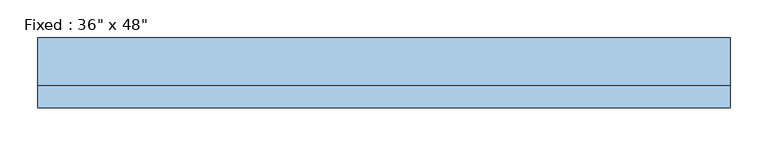
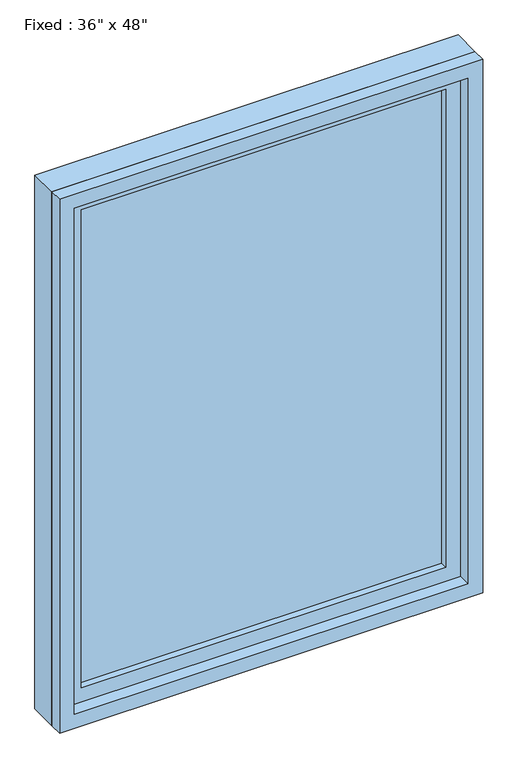
"""IFC4 building model written with IfcOpenShell, lengths in millimetres: window geometry."""

from ifc_helpers import new_model, si_unit, frame, origin, place, context, project, spatial, polyline, outline, extrude, source, transform, mapped, element, save


def window_5a03d1ec(model_context):
    return source(origin(), model_context, "Body", "SweptSolid", [
        extrude(outline(polyline([(355.6, -1.5875), (-431.8, -1.5875), (-431.8, 11.1125), (355.6, 11.1125), (355.6, -1.5875)])), frame((0.0, 0.0, 977.9), z_axis=(0.0, 0.0, 1.0), x_axis=(1.0, 0.0, 0.0)), (0.0, 0.0, 1.0), 1092.2),
        extrude(outline(polyline([(2114.55, -476.25), (933.45, -476.25), (933.45, 400.05), (2114.55, 400.05), (2114.55, -476.25)]), holes=[polyline([(2070.1, -431.8), (2070.1, 355.6), (977.9, 355.6), (977.9, -431.8), (2070.1, -431.8)])]), frame((0.0, -17.4625, 0.0), z_axis=(0.0, 1.0, 0.0), x_axis=(0.0, 0.0, 1.0)), (0.0, 0.0, 1.0), 44.45),
        extrude(outline(polyline([(2133.6, -495.3), (914.4, -495.3), (914.4, 419.1), (2133.6, 419.1), (2133.6, -495.3)]), holes=[polyline([(2101.85, -463.55), (2101.85, 387.35), (946.15, 387.35), (946.15, -463.55), (2101.85, -463.55)])]), frame((0.0, -46.0375, 0.0), z_axis=(0.0, 1.0, 0.0), x_axis=(0.0, 0.0, 1.0)), (0.0, 0.0, 1.0), 28.575),
        extrude(outline(polyline([(2133.6, 419.1), (2133.6, -495.3), (914.4, -495.3), (914.4, 419.1), (2133.6, 419.1)]), holes=[polyline([(2114.55, 400.05), (933.45, 400.05), (933.45, -476.25), (2114.55, -476.25), (2114.55, 400.05)])]), frame((0.0, -17.4625, 0.0), z_axis=(0.0, 1.0, 0.0), x_axis=(0.0, 0.0, 1.0)), (0.0, 0.0, 1.0), 63.5),
    ])


if __name__ == "__main__":
    model = new_model("IFC4")
    model_context = context("Model", 3, world=origin())
    ifc_project = project(units=[si_unit("LENGTHUNIT", "METRE", prefix="MILLI")], contexts=[model_context])
    site = spatial("IfcSite", under=ifc_project)
    building = spatial("IfcBuilding", under=site)
    placement = place(None, origin())
    window_shape = window_5a03d1ec(model_context)
    element("IfcWindow", 1, ObjectType="Fixed : 36\" x 48\"", at=placement, inside=building, context=model_context, shape_type="MappedRepresentation", body=[
        mapped(window_shape, transform((0.0, 0.0, 0.0), x_axis=(1.0, 0.0, 0.0), y_axis=(0.0, 1.0, 0.0), z_axis=(0.0, 0.0, 1.0))),
    ])
    save(model, "model.ifc")
